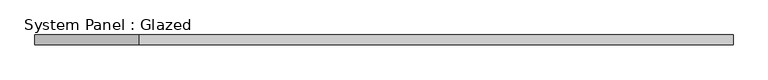
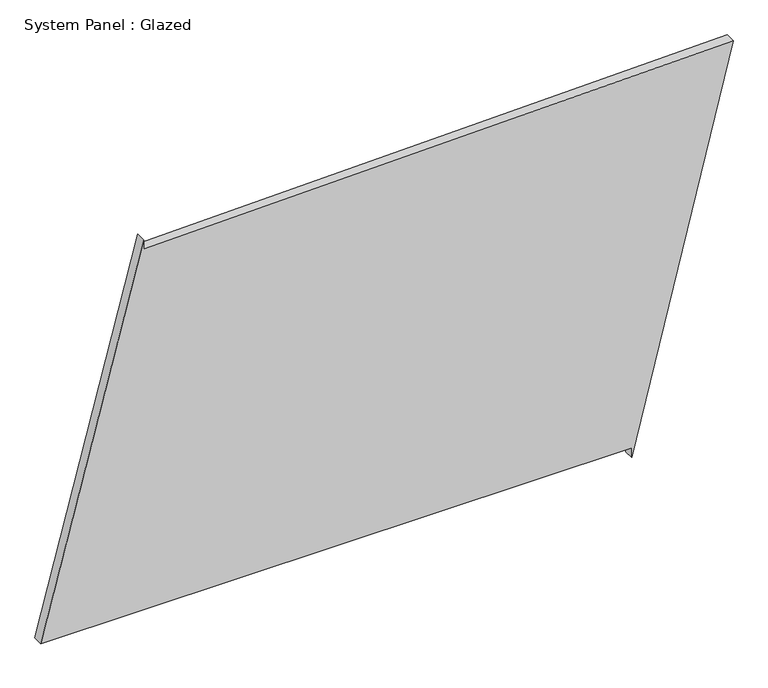
"""IFC4 building model written with IfcOpenShell, lengths in millimetres: plate geometry, System Panel : Glazed."""

import ifcopenshell
import ifcopenshell.guid

model = None  # the IFC model being written
_history = None  # IfcOwnerHistory: only IFC2X3 demands one
_inside = {}  # id of a spatial element -> (the spatial element, [elements in it])
_under = {}  # id of a project, library or spatial element -> (it, [spatial elements below it])
_declared = {}  # id of a project -> (the project, [libraries it declares])
_typed = {}  # id of a type object -> (the type object, [elements of that type])
_made_of = {}  # id of a material, layer set ... -> (it, [elements and type objects made of it])


def new_model(schema):
    """Start an empty IFC model of exactly this schema.

    Asked for "IFC4X3", IfcOpenShell would pick the latest addendum, in which some entities
    have other attributes; the version numbers below select the first issue.
    IFC2X3 requires an IfcOwnerHistory on every rooted entity: one is made here for all.
    """
    global model, _history
    if schema == "IFC4X3":
        model = ifcopenshell.file(schema_version=(4, 3, 0, 0))
    else:
        model = ifcopenshell.file(schema=schema)
    _inside.clear()
    _under.clear()
    _declared.clear()
    _typed.clear()
    _made_of.clear()
    _history = None
    if model.schema == "IFC2X3":
        org = make("IfcOrganization", Name="unknown")
        user = make(
            "IfcPersonAndOrganization",
            ThePerson=make("IfcPerson", FamilyName="unknown"),
            TheOrganization=org,
        )
        app = make(
            "IfcApplication",
            ApplicationDeveloper=org,
            Version="unknown",
            ApplicationFullName="unknown",
            ApplicationIdentifier="unknown",
        )
        _history = make(
            "IfcOwnerHistory",
            OwningUser=user,
            OwningApplication=app,
            ChangeAction="ADDED",
            CreationDate=0,
        )
    return model


def make(cls, **values):
    """One entity of the class cls with the attributes given. An attribute that is None is left unset."""
    return model.create_entity(
        cls, **{name: value for name, value in values.items() if value is not None}
    )


def rooted(cls, **values):
    """An entity with a GlobalId (a new one), such as an element, a storey or a relation."""
    return make(cls, GlobalId=ifcopenshell.guid.new(), OwnerHistory=_history, **values)


def si_unit(unit_type, name, prefix=None):
    """IfcSIUnit, for example si_unit("LENGTHUNIT", "METRE", prefix="MILLI")."""
    return make("IfcSIUnit", UnitType=unit_type, Prefix=prefix, Name=name)


def assignment(units):
    """IfcUnitAssignment: the units of a project."""
    return None if units is None else make("IfcUnitAssignment", Units=units)


def point(xyz):
    """IfcCartesianPoint."""
    return None if xyz is None else make("IfcCartesianPoint", Coordinates=xyz)


def direction(xyz):
    """IfcDirection."""
    return None if xyz is None else make("IfcDirection", DirectionRatios=xyz)


def frame(location, z_axis=None, x_axis=None):
    """IfcAxis2Placement3D, a coordinate frame: its origin and axes. An axis left out is left unset."""
    return make(
        "IfcAxis2Placement3D",
        Location=point(location),
        Axis=direction(z_axis),
        RefDirection=direction(x_axis),
    )


def origin():
    """The frame at (0, 0, 0) with its axes left unset."""
    return frame((0.0, 0.0, 0.0))


def place(relative_to, where):
    """IfcLocalPlacement: puts the frame where relative to a parent placement (None: the world)."""
    return make(
        "IfcLocalPlacement", PlacementRelTo=relative_to, RelativePlacement=where
    )


def context(
    kind, dimensions, precision=None, world=None, true_north=None, identifier=None
):
    """IfcGeometricRepresentationContext, for example the 3D "Model" context."""
    return make(
        "IfcGeometricRepresentationContext",
        ContextIdentifier=identifier,
        ContextType=kind,
        CoordinateSpaceDimension=dimensions,
        Precision=precision,
        WorldCoordinateSystem=world,
        TrueNorth=true_north,
    )


def project(units=None, contexts=None):
    """IfcProject with its units and contexts."""
    return rooted(
        "IfcProject",
        Name="project",
        RepresentationContexts=contexts,
        UnitsInContext=assignment(units),
    )


def spatial(cls, under=None, at=None, **own):
    """A site, building, storey or space (cls), placed at a placement, below another one or the project."""
    s = rooted(cls, ObjectPlacement=at, **own)
    if under is not None:
        _under.setdefault(under.id(), (under, []))[1].append(s)
    return s


def polyline(points):
    """IfcPolyline through the points."""
    return make("IfcPolyline", Points=[point(p) for p in points])


def outline(outer, holes=None, kind="AREA"):
    """IfcArbitraryClosedProfileDef: a profile drawn as a closed curve; with holes, ...WithVoids."""
    if holes is None:
        return make("IfcArbitraryClosedProfileDef", ProfileType=kind, OuterCurve=outer)
    return make(
        "IfcArbitraryProfileDefWithVoids",
        ProfileType=kind,
        OuterCurve=outer,
        InnerCurves=holes,
    )


def extrude(swept, where, along, depth):
    """IfcExtrudedAreaSolid: the profile swept, set in the frame where, extruded along a direction by depth."""
    return make(
        "IfcExtrudedAreaSolid",
        SweptArea=swept,
        Position=where,
        ExtrudedDirection=direction(along),
        Depth=depth,
    )


def shape(context_of_items, identifier, shape_type, items):
    """IfcShapeRepresentation: the items that make up one representation, for example the "Body"."""
    return make(
        "IfcShapeRepresentation",
        ContextOfItems=context_of_items,
        RepresentationIdentifier=identifier,
        RepresentationType=shape_type,
        Items=items,
    )


def source(mapping_origin, context_of_items, identifier, shape_type, items):
    """IfcRepresentationMap: a shape defined once, which mapped items show again and again."""
    return make(
        "IfcRepresentationMap",
        MappingOrigin=mapping_origin,
        MappedRepresentation=shape(context_of_items, identifier, shape_type, items),
    )


def transform(
    local_origin,
    x_axis=None,
    y_axis=None,
    z_axis=None,
    scale=None,
    scale2=None,
    scale3=None,
    uniform=True,
):
    """IfcCartesianTransformationOperator3D, or its non-uniform kind. x_axis, y_axis, z_axis: its Axis1, 2, 3."""
    if uniform:
        return make(
            "IfcCartesianTransformationOperator3D",
            Axis1=direction(x_axis),
            Axis2=direction(y_axis),
            LocalOrigin=point(local_origin),
            Scale=scale,
            Axis3=direction(z_axis),
        )
    return make(
        "IfcCartesianTransformationOperator3DnonUniform",
        Axis1=direction(x_axis),
        Axis2=direction(y_axis),
        LocalOrigin=point(local_origin),
        Scale=scale,
        Axis3=direction(z_axis),
        Scale2=scale2,
        Scale3=scale3,
    )


def mapped(mapping_source, mapping_target):
    """IfcMappedItem: shows the shape of a source again, moved by a transform."""
    return make(
        "IfcMappedItem", MappingSource=mapping_source, MappingTarget=mapping_target
    )


def made_of(thing, what):
    """Note that an element or type object is made of a material, layer set ...; save() writes the relation."""
    if what is not None:
        _made_of.setdefault(what.id(), (what, []))[1].append(thing)
    return thing


def element(
    cls,
    number,
    at=None,
    inside=None,
    cuts=None,
    type_object=None,
    material=None,
    context=None,
    identifier="Body",
    shape_type=None,
    held_by="IfcProductDefinitionShape",
    body=None,
    shapes=None,
    **own,
):
    """One element of the class cls, such as IfcWall. Its Tag is "e" and its number.

    at: its placement. inside: the storey or other place that contains it. cuts: it is an
    opening in that element (IfcRelVoidsElement). A single representation is given by context,
    identifier, shape_type and body (its items); several are given by shapes. held_by: the class
    of the entity that holds the representations. save() writes the other relations.
    """
    e = rooted(cls, Tag="e%d" % number, ObjectPlacement=at, **own)
    if body is not None:
        shapes = [shape(context, identifier, shape_type, body)]
    if shapes is not None:
        e.Representation = make(held_by, Representations=shapes)
    if inside is not None:
        _inside.setdefault(inside.id(), (inside, []))[1].append(e)
    if cuts is not None:
        rooted(
            "IfcRelVoidsElement", RelatingBuildingElement=cuts, RelatedOpeningElement=e
        )
    if type_object is not None:
        _typed.setdefault(type_object.id(), (type_object, []))[1].append(e)
    return made_of(e, material)


def aggregate(whole, parts):
    """IfcRelAggregates: a whole, such as a stair, and the parts it consists of."""
    return rooted("IfcRelAggregates", RelatingObject=whole, RelatedObjects=parts)


def save(model, path):
    """Write the relations noted so far, then the file.

    IfcRelAggregates (storeys below a building ...), IfcRelContainedInSpatialStructure (elements
    in a storey), IfcRelDefinesByType, IfcRelAssociatesMaterial and IfcRelDeclares: one each for
    every whole, place, type object, material and project.
    """
    for whole, parts in _under.values():
        aggregate(whole, parts)
    for where, things in _inside.values():
        rooted(
            "IfcRelContainedInSpatialStructure",
            RelatedElements=things,
            RelatingStructure=where,
        )
    for kind, things in _typed.values():
        rooted("IfcRelDefinesByType", RelatedObjects=things, RelatingType=kind)
    for what, things in _made_of.values():
        rooted("IfcRelAssociatesMaterial", RelatedObjects=things, RelatingMaterial=what)
    for by, libraries in _declared.values():
        rooted("IfcRelDeclares", RelatingContext=by, RelatedDefinitions=libraries)
    model.write(path)


def system_panel_glazed_48722df6(model_context):
    return source(origin(), model_context, "Body", "SweptSolid", [
        extrude(outline(polyline([(25.0, 616.6494444), (0.0, 616.6494444), (1021.3216379, 872.0224898), (984.7371645, -612.246783), (1009.7295738, -612.8627994), (25.0, -872.0224898), (25.0, 616.6494444)])), frame((0.0, -49.5, 0.0), z_axis=(0.0, 1.0, 0.0), x_axis=(0.0, 0.0, 1.0)), (0.0, 0.0, 1.0), 25.0),
    ])


if __name__ == "__main__":
    model = new_model("IFC4")
    model_context = context("Model", 3, world=origin())
    ifc_project = project(units=[si_unit("LENGTHUNIT", "METRE", prefix="MILLI")], contexts=[model_context])
    site = spatial("IfcSite", under=ifc_project)
    building = spatial("IfcBuilding", under=site)
    placement = place(None, origin())
    system_panel_glazed_shape = system_panel_glazed_48722df6(model_context)
    element("IfcPlate", 1, ObjectType="System Panel : Glazed", at=placement, inside=building, context=model_context, shape_type="MappedRepresentation", body=[
        mapped(system_panel_glazed_shape, transform((0.0, 0.0, 0.0), x_axis=(1.0, 0.0, 0.0), y_axis=(0.0, 1.0, 0.0), z_axis=(0.0, 0.0, 1.0))),
    ])
    save(model, "model.ifc")
